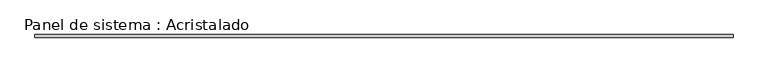
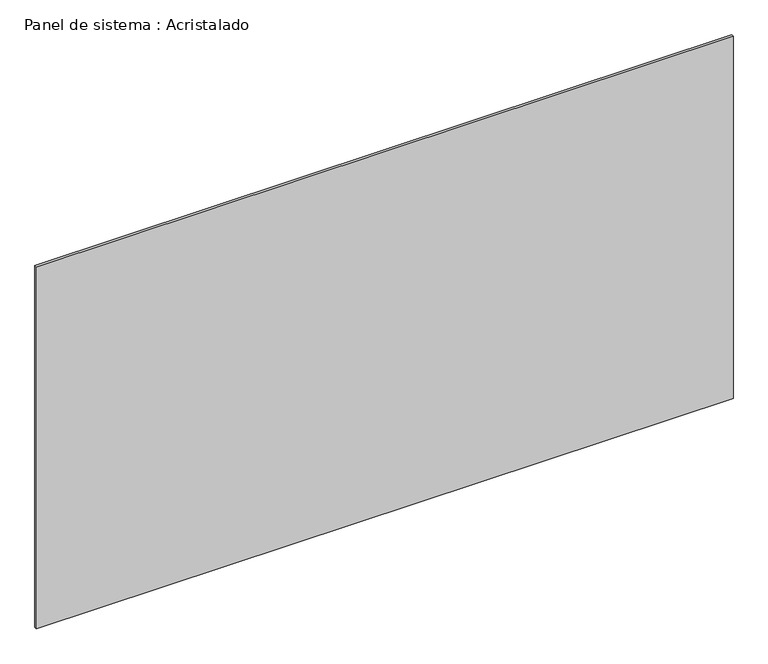
"""IFC4 building model written with IfcOpenShell, lengths in millimetres: plate geometry, Panel de sistema : Acristalado."""

from ifc_helpers import new_model, si_unit, origin, origin_with_axes, place, context, project, spatial, polyline, outline, extrude, source, transform, mapped, element, save


def panel_de_sistema_acristalado_5e380bfd(model_context):
    return source(origin(), model_context, "Body", "SweptSolid", [
        extrude(outline(polyline([(2692.3775549, -10.0), (-2692.3775549, -10.0), (-2692.3775549, 10.0), (2692.3775549, 10.0), (2692.3775549, -10.0)])), origin_with_axes(), (0.0, 0.0, 1.0), 2960.0),
    ])


if __name__ == "__main__":
    model = new_model("IFC4")
    model_context = context("Model", 3, world=origin())
    ifc_project = project(units=[si_unit("LENGTHUNIT", "METRE", prefix="MILLI")], contexts=[model_context])
    site = spatial("IfcSite", under=ifc_project)
    building = spatial("IfcBuilding", under=site)
    placement = place(None, origin())
    panel_de_sistema_acristalado_shape = panel_de_sistema_acristalado_5e380bfd(model_context)
    element("IfcPlate", 1, ObjectType="Panel de sistema : Acristalado", at=placement, inside=building, context=model_context, shape_type="MappedRepresentation", body=[
        mapped(panel_de_sistema_acristalado_shape, transform((0.0, 0.0, 0.0), x_axis=(1.0, 0.0, 0.0), y_axis=(0.0, 1.0, 0.0), z_axis=(0.0, 0.0, 1.0))),
    ])
    save(model, "model.ifc")
